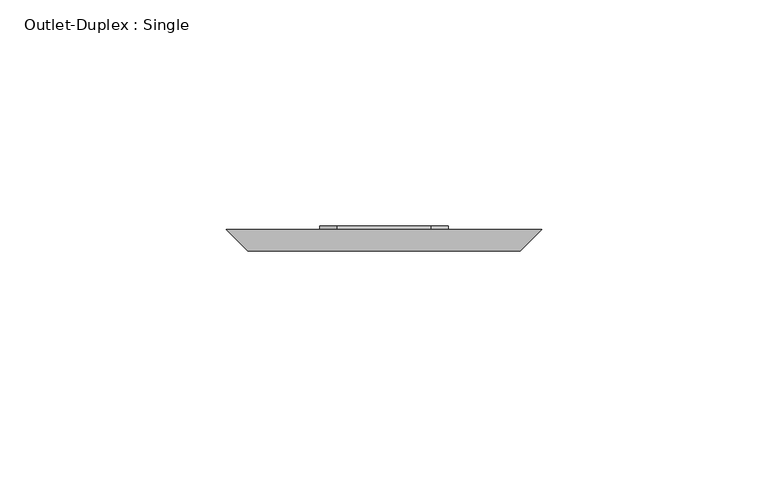
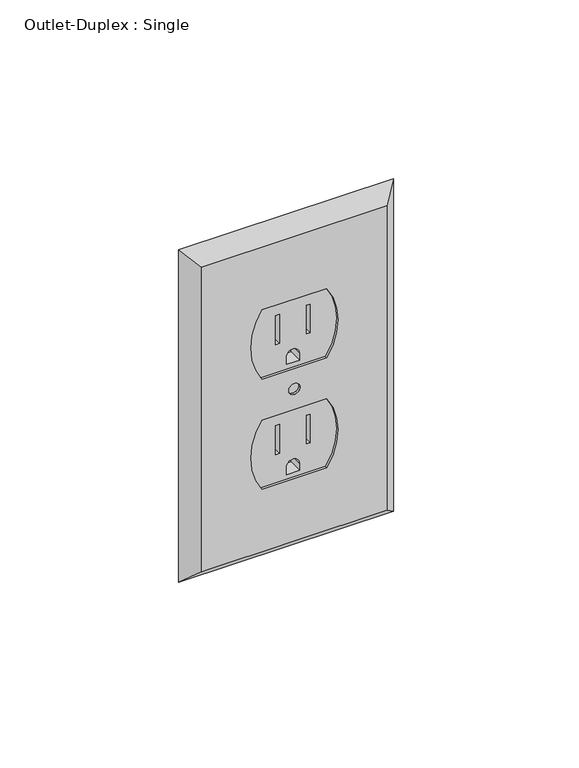
"""IFC4 building model written with IfcOpenShell, lengths in millimetres: proxy geometry, Outlet-Duplex : Single."""

from ifc_helpers import new_model, si_unit, point, frame, frame_2d, origin, place, context, project, spatial, polyline, circle_curve, trimmed, segment, composite_curve, outline, extrude, source, transform, mapped, element, save
from ifc_brep_helpers import plane_surface, revolved_surface, advanced_brep


def outlet_duplex_single_c45c78f7(model_context):
    return source(origin(), model_context, "Body", "SolidModel", [
        extrude(outline(composite_curve([segment(polyline([(273.9614857, -10.4931617), (273.9614857, 10.4931617)]), True, "CONTINUOUS"), segment(trimmed(circle_curve(frame_2d((285.8677357, -6.8576098)), 21.043005), [point((273.9614857, 10.4931617))], [point((297.7739857, 10.4931617))], False, "CARTESIAN"), True, "CONTINUOUS"), segment(polyline([(297.7739857, 10.4931617), (297.7739857, -10.4931617)]), True, "CONTINUOUS"), segment(trimmed(circle_curve(frame_2d((285.8677357, 6.8576098)), 21.043005), [point((297.7739857, -10.4931617))], [point((273.9614857, -10.4931617))], False, "CARTESIAN"), True, "CONTINUOUS")], self_intersect=False), holes=[polyline([(283.8450983, 5.6261139), (283.8450983, 4.3502847), (293.6358342, 4.3502847), (293.6358342, 5.6261139), (283.8450983, 5.6261139)]), polyline([(283.6466608, -5.6261139), (293.6358342, -5.6261139), (293.6358342, -4.3502847), (283.6466608, -4.3502847), (283.6466608, -5.6261139)]), composite_curve([segment(polyline([(275.5679027, 2.0747584), (275.5679027, -2.0747584), (278.0820784, -2.0747584)]), True, "CONTINUOUS"), segment(trimmed(circle_curve(frame_2d((278.0820784, 0.0)), 2.0747584), [point((278.0820784, -2.0747584))], [point((278.0820784, 2.0747584))], True, "CARTESIAN"), True, "CONTINUOUS"), segment(polyline([(278.0820784, 2.0747584), (275.5679027, 2.0747584)]), True, "CONTINUOUS")], self_intersect=False)]), frame((0.0, -105.5460533, 0.0), z_axis=(0.0, 1.0, 0.0), x_axis=(0.0, 0.0, 1.0)), (0.0, 0.0, 1.0), 4.7441942),
        extrude(outline(composite_curve([segment(trimmed(circle_curve(frame_2d((323.7322643, 6.8576098)), 21.043005), [point((335.6385143, -10.4931617))], [point((311.8260143, -10.4931617))], False, "CARTESIAN"), True, "CONTINUOUS"), segment(polyline([(311.8260143, -10.4931617), (311.8260143, 10.4931617)]), True, "CONTINUOUS"), segment(trimmed(circle_curve(frame_2d((323.7322643, -6.8576098)), 21.043005), [point((311.8260143, 10.4931617))], [point((335.6385143, 10.4931617))], False, "CARTESIAN"), True, "CONTINUOUS"), segment(polyline([(335.6385143, 10.4931617), (335.6385143, -10.4931617)]), True, "CONTINUOUS")], self_intersect=False), holes=[polyline([(321.709627, 5.6261139), (321.709627, 4.3502847), (331.5003629, 4.3502847), (331.5003629, 5.6261139), (321.709627, 5.6261139)]), polyline([(321.5111895, -5.6261139), (331.5003629, -5.6261139), (331.5003629, -4.3502847), (321.5111895, -4.3502847), (321.5111895, -5.6261139)]), composite_curve([segment(polyline([(313.4324314, 2.0747584), (313.4324314, -2.0747584), (315.9466071, -2.0747584)]), True, "CONTINUOUS"), segment(trimmed(circle_curve(frame_2d((315.9466071, 0.0)), 2.0747584), [point((315.9466071, -2.0747584))], [point((315.9466071, 2.0747584))], True, "CARTESIAN"), True, "CONTINUOUS"), segment(polyline([(315.9466071, 2.0747584), (313.4324314, 2.0747584)]), True, "CONTINUOUS")], self_intersect=False)]), frame((0.0, -105.5460533, 0.0), z_axis=(0.0, 1.0, 0.0), x_axis=(0.0, 0.0, 1.0)), (0.0, 0.0, 1.0), 4.7441942),
        extrude(outline(composite_curve([segment(trimmed(circle_curve(frame_2d((304.8, 0.0)), 1.8474562), [point((304.8, -1.8474562))], [point((304.8, 1.8474562))], False, "CARTESIAN"), True, "CONTINUOUS"), segment(trimmed(circle_curve(frame_2d((304.8, 0.0)), 1.8474562), [point((304.8, 1.8474562))], [point((304.8, -1.8474562))], False, "CARTESIAN"), True, "CONTINUOUS")], self_intersect=False)), frame((0.0, -105.5460533, 0.0), z_axis=(0.0, 1.0, 0.0), x_axis=(0.0, 0.0, 1.0)), (0.0, 0.0, 1.0), 4.7441942),
        advanced_brep(
        [(-30.1625, -106.3625, 357.1875), (-30.1625, -106.3625, 252.4125), (30.1625, -106.3625, 252.4125), (30.1625, -106.3625, 357.1875), (10.4931617, -106.3625, 311.8260143), (-10.4931617, -106.3625, 311.8260143), (-10.4931617, -106.3625, 335.6385143), (10.4931617, -106.3625, 335.6385143), (-10.4931617, -106.3625, 297.7739857), (10.4931617, -106.3625, 297.7739857), (10.4931617, -106.3625, 273.9614857), (-10.4931617, -106.3625, 273.9614857), (1.8474562, -106.3625, 304.8), (-1.8474562, -106.3625, 304.8), (-34.925, -101.6, 361.95), (34.925, -101.6, 361.95), (34.925, -101.6, 247.65), (-34.925, -101.6, 247.65), (10.4931617, -101.6, 335.6385143), (-10.4931617, -101.6, 335.6385143), (-10.4931617, -101.6, 311.8260143), (10.4931617, -101.6, 311.8260143), (-10.4931617, -101.6, 273.9614857), (10.4931617, -101.6, 273.9614857), (10.4931617, -101.6, 297.7739857), (-10.4931617, -101.6, 297.7739857), (-1.8474562, -101.6, 304.8), (1.8474562, -101.6, 304.8)],
        [
            (0, 1),
            (1, 2),
            (2, 3),
            (3, 0),
            (4, 5),
            (5, 6, circle_curve(frame((6.8576098, -106.3625, 323.7322643), z_axis=(0.0, 1.0, 0.0), x_axis=(1.0, 0.0, 0.0)), 21.043005)),
            (6, 7),
            (7, 4, circle_curve(frame((-6.8576098, -106.3625, 323.7322643), z_axis=(0.0, 1.0, 0.0), x_axis=(1.0, 0.0, 0.0)), 21.043005)),
            (8, 9),
            (9, 10, circle_curve(frame((-6.8576098, -106.3625, 285.8677357), z_axis=(0.0, 1.0, 0.0), x_axis=(1.0, 0.0, 0.0)), 21.043005)),
            (10, 11),
            (11, 8, circle_curve(frame((6.8576098, -106.3625, 285.8677357), z_axis=(0.0, 1.0, 0.0), x_axis=(1.0, 0.0, 0.0)), 21.043005)),
            (12, 13, circle_curve(frame((0.0, -106.3625, 304.8), z_axis=(0.0, 1.0, 0.0), x_axis=(1.0, 0.0, 0.0)), 1.8474562)),
            (13, 12, circle_curve(frame((0.0, -106.3625, 304.8), z_axis=(0.0, 1.0, 0.0), x_axis=(1.0, 0.0, 0.0)), 1.8474562)),
            (14, 15),
            (15, 16),
            (16, 17),
            (17, 14),
            (18, 19),
            (19, 20, circle_curve(frame((6.8576098, -101.6, 323.7322643), z_axis=(0.0, -1.0, 0.0), x_axis=(1.0, 0.0, 0.0)), 21.043005)),
            (20, 21),
            (21, 18, circle_curve(frame((-6.8576098, -101.6, 323.7322643), z_axis=(0.0, -1.0, 0.0), x_axis=(1.0, 0.0, 0.0)), 21.043005)),
            (22, 23),
            (23, 24, circle_curve(frame((-6.8576098, -101.6, 285.8677357), z_axis=(0.0, -1.0, 0.0), x_axis=(1.0, 0.0, 0.0)), 21.043005)),
            (24, 25),
            (25, 22, circle_curve(frame((6.8576098, -101.6, 285.8677357), z_axis=(0.0, -1.0, 0.0), x_axis=(1.0, 0.0, 0.0)), 21.043005)),
            (26, 27, circle_curve(frame((0.0, -101.6, 304.8), z_axis=(0.0, -1.0, 0.0), x_axis=(1.0, 0.0, 0.0)), 1.8474562)),
            (27, 26, circle_curve(frame((0.0, -101.6, 304.8), z_axis=(0.0, -1.0, 0.0), x_axis=(1.0, 0.0, 0.0)), 1.8474562)),
            (3, 15),
            (14, 0),
            (2, 16),
            (1, 17),
            (7, 18),
            (21, 4),
            (6, 19),
            (5, 20),
            (11, 22),
            (25, 8),
            (10, 23),
            (9, 24),
            (13, 26),
            (27, 12),
        ],
        [
            plane_surface(frame((0.0, -106.3625, 304.8), z_axis=(0.0, -1.0, 0.0), x_axis=(0.0, 0.0, -1.0))),
            plane_surface(frame((0.0, -101.6, 304.8), z_axis=(0.0, 1.0, 0.0), x_axis=(0.0, 0.0, -1.0))),
            plane_surface(frame((0.0, -101.6, 361.95), z_axis=(0.0, -0.7071067811867159, 0.7071067811863793), x_axis=(1.0, 0.0, 0.0))),
            plane_surface(frame((34.925, -101.6, 304.8), z_axis=(0.7071067811863626, -0.7071067811867324, 0.0), x_axis=(0.0, 0.0, -1.0))),
            plane_surface(frame((0.0, -101.6, 247.65), z_axis=(0.0, -0.7071067811867585, -0.7071067811863365), x_axis=(-1.0, 0.0, 0.0))),
            plane_surface(frame((-34.925, -101.6, 304.8), z_axis=(-0.7071067811862254, -0.7071067811868696, 0.0), x_axis=(0.0, 0.0, 1.0))),
            revolved_surface(polyline([(14.185395200000002, -101.6, 323.7322643), (14.185395200000002, -106.3625, 323.7322643)]), (-6.8576098, -152.384307, 323.7322643), (0.0, 1.0, 0.0)),
            plane_surface(frame((10.4931617, 198.4375, 335.6385143), z_axis=(0.0, 0.0, -1.0), x_axis=(0.0, -1.0, 0.0))),
            revolved_surface(polyline([(27.9006148, -101.6, 323.7322643), (27.9006148, -106.3625, 323.7322643)]), (6.8576098, -152.384307, 323.7322643), (0.0, 1.0, 0.0)),
            plane_surface(frame((-10.4931617, 198.4375, 311.8260143), z_axis=(0.0, 0.0, 1.0), x_axis=(0.0, -1.0, 0.0))),
            revolved_surface(polyline([(27.9006148, -101.6, 285.8677357), (27.9006148, -106.3625, 285.8677357)]), (6.8576098, -106.3625, 285.8677357), (0.0, 1.0, 0.0)),
            plane_surface(frame((-10.4931617, 198.4375, 273.9614857), z_axis=(0.0, 0.0, 1.0), x_axis=(0.0, -1.0, 0.0))),
            revolved_surface(polyline([(14.185395200000002, -101.6, 285.8677357), (14.185395200000002, -106.3625, 285.8677357)]), (-6.8576098, -106.3625, 285.8677357), (0.0, 1.0, 0.0)),
            plane_surface(frame((10.4931617, 198.4375, 297.7739857), z_axis=(0.0, 0.0, -1.0), x_axis=(0.0, -1.0, 0.0))),
            revolved_surface(polyline([(1.8474562, -101.6, 304.8), (1.8474562, -106.3625, 304.8)]), (0.0, -106.3625, 304.8), (0.0, 1.0, 0.0)),
        ],
        [
            (0, [[1, 2, 3, 4], [5, 6, 7, 8], [9, 10, 11, 12], [13, 14]]),
            (1, [[15, 16, 17, 18], [19, 20, 21, 22], [23, 24, 25, 26], [27, 28]]),
            (2, [[29, -15, 30, -4]]),
            (3, [[31, -16, -29, -3]]),
            (4, [[32, -17, -31, -2]]),
            (5, [[-30, -18, -32, -1]]),
            (6, [[-8, 33, -22, 34]]),
            (7, [[-7, 35, -19, -33]]),
            (8, [[-6, 36, -20, -35]]),
            (9, [[-21, -36, -5, -34]]),
            (10, [[-12, 37, -26, 38]]),
            (11, [[-11, 39, -23, -37]]),
            (12, [[-10, 40, -24, -39]]),
            (13, [[-25, -40, -9, -38]]),
            (14, [[-14, 41, -28, 42]]),
            (14, [[-27, -41, -13, -42]]),
        ],
    ),
    ])


if __name__ == "__main__":
    model = new_model("IFC4")
    model_context = context("Model", 3, world=origin())
    ifc_project = project(units=[si_unit("LENGTHUNIT", "METRE", prefix="MILLI")], contexts=[model_context])
    site = spatial("IfcSite", under=ifc_project)
    building = spatial("IfcBuilding", under=site)
    placement = place(None, origin())
    outlet_duplex_single_shape = outlet_duplex_single_c45c78f7(model_context)
    element("IfcBuildingElementProxy", 1, Name="Outlet-Duplex : Single", ObjectType="Outlet-Duplex : Single", at=placement, inside=building, context=model_context, shape_type="MappedRepresentation", body=[
        mapped(outlet_duplex_single_shape, transform((0.0, 0.0, 0.0), x_axis=(1.0, 0.0, 0.0), y_axis=(0.0, 1.0, 0.0), z_axis=(0.0, 0.0, 1.0))),
    ])
    save(model, "model.ifc")
